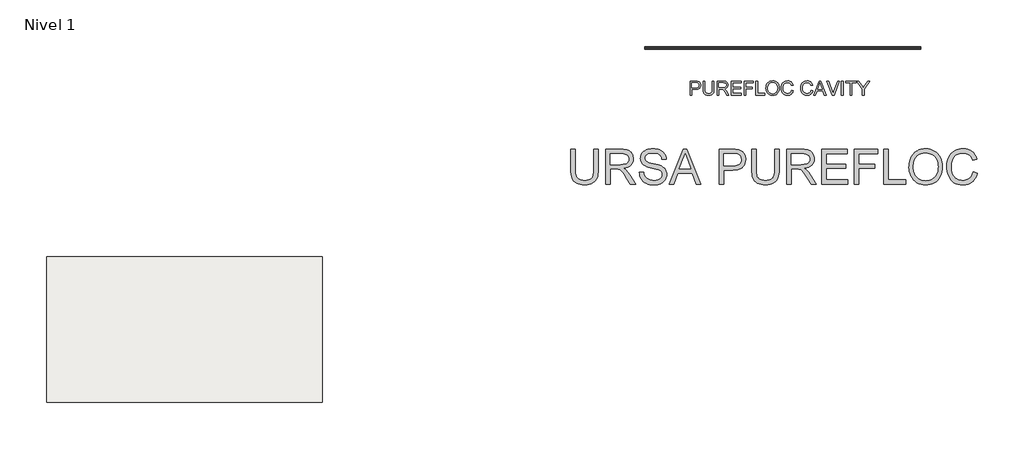
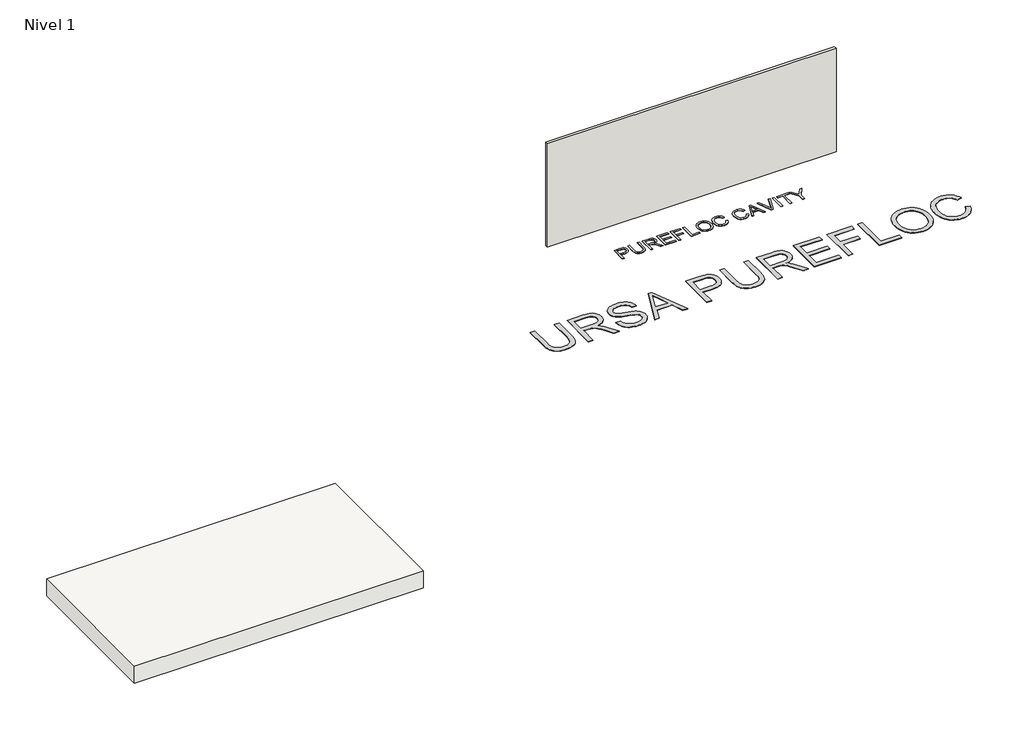
# One storey: 2 proxies, 1 slab, 1 wall.
"""IFC4 building model written with IfcOpenShell, lengths in millimetres."""

from ifc_helpers import new_model, si_unit, frame, origin, origin_with_axes, place, context, project, spatial, polyline, outline, extrude, element, save

model = new_model("IFC4")

# Units and contexts
model_context = context("Model", 3, world=origin())
ifc_project = project(units=[si_unit("LENGTHUNIT", "METRE", prefix="MILLI")], contexts=[model_context])

# Site, building, storey
site = spatial("IfcSite", under=ifc_project)
building = spatial("IfcBuilding", under=site)
storey = spatial("IfcBuildingStorey", under=building, Name="Nivel 1", Elevation=0.0)

# Proxies
placement = place(None, origin())
element("IfcBuildingElementProxy", 1, Name="Texto de modelo 1", ObjectType="Texto de modelo 1", at=placement, inside=storey, context=model_context, shape_type="SweptSolid", body=[
    extrude(outline(polyline([(-5234.9976902, 2608.420547), (-5234.9976902, 3010.2457876), (-5086.0790586, 3010.2457876), (-5026.0407169, 3006.4198149), (-4999.2711704, 2999.2706414), (-4977.2350389, 2987.6333076), (-4959.490864, 2970.980516), (-4945.5971873, 2948.7849689), (-4936.6208667, 2922.6040336), (-4933.6287598, 2893.9950771), (-4935.649045, 2869.3285894), (-4941.7099009, 2846.6364016), (-4951.8113274, 2825.9185139), (-4965.9533244, 2807.1749263), (-4985.3682967, 2791.6380433), (-5011.2886489, 2780.5402698), (-5043.7143811, 2773.8816057), (-5082.6454933, 2771.662051), (-5184.7695351, 2771.662051), (-5184.7695351, 2608.420547), (-5234.9976902, 2608.420547)]), holes=[polyline([(-5184.7695351, 2821.8902061), (-5079.7024373, 2821.8902061), (-5035.1641904, 2826.5009937), (-5018.5604497, 2832.2644783), (-5005.7336308, 2840.3333568), (-4996.1625676, 2850.4930312), (-4989.3260938, 2862.5289038), (-4983.8569148, 2892.2292436), (-4987.0820137, 2914.7926726), (-4996.7573101, 2933.8244345), (-5011.6810564, 2948.1473068), (-5030.6515046, 2956.5840672), (-5080.8796597, 2960.0176325), (-5184.7695351, 2960.0176325), (-5184.7695351, 2821.8902061)])]), origin_with_axes(), (0.0, 0.0, 1.0), 10.0),
    extrude(outline(polyline([(-4600.8672324, 3010.2457876), (-4550.6390773, 3010.2457876), (-4550.6390773, 2778.4310797), (-4554.0481171, 2724.14396), (-4564.2752366, 2682.3403026), (-4572.460611, 2665.387074), (-4583.3805749, 2650.0893143), (-4613.4242712, 2624.460202), (-4632.5663976, 2614.6960007), (-4654.4799018, 2607.7215712), (-4706.6210433, 2602.1420276), (-4757.6217505, 2606.99807), (-4798.3953383, 2621.566197), (-4814.9500281, 2632.3665992), (-4828.9540694, 2645.3436366), (-4840.4074622, 2660.4973091), (-4849.3102065, 2677.8276168), (-4860.7513365, 2721.3971077), (-4864.5650465, 2778.4310797), (-4864.5650465, 3010.2457876), (-4814.3368915, 3010.2457876), (-4814.3368915, 2780.1969133), (-4811.8598194, 2735.0577925), (-4804.4286031, 2703.6284074), (-4790.964122, 2681.862056), (-4770.3872558, 2665.7120364), (-4743.5563956, 2655.7056461), (-4711.3299328, 2652.3701827), (-4683.6468127, 2654.0195203), (-4660.2433864, 2658.9675331), (-4641.119654, 2667.2142212), (-4626.2756155, 2678.7595845), (-4615.1594479, 2694.9954432), (-4607.2193282, 2717.3136176), (-4602.4552563, 2745.7141076), (-4600.8672324, 2780.1969133), (-4600.8672324, 3010.2457876)])), origin_with_axes(), (0.0, 0.0, 1.0), 10.0),
    extrude(outline(polyline([(-4462.7398059, 2608.420547), (-4462.7398059, 3010.2457876), (-4289.5900135, 3010.2457876), (-4243.0529411, 3007.5357236), (-4209.1955349, 2999.4055315), (-4184.4493393, 2984.3959461), (-4165.2458992, 2961.0477021), (-4152.9218523, 2932.0953891), (-4148.8138367, 2900.2735965), (-4150.5152909, 2879.6354166), (-4155.6196536, 2860.6894938), (-4164.1269248, 2843.4358283), (-4176.0371044, 2827.8744199), (-4191.5034766, 2814.5019093), (-4210.6793256, 2803.8149374), (-4233.5646514, 2795.813504), (-4260.1594539, 2790.4976092), (-4231.6118111, 2769.0133006), (-4190.899537, 2717.3136176), (-4123.8959629, 2608.420547), (-4182.2665728, 2608.420547), (-4234.5548671, 2691.7090307), (-4272.3240852, 2746.8422791), (-4286.3649147, 2762.9187222), (-4298.8606398, 2772.8883243), (-4322.748444, 2782.4532562), (-4351.8846981, 2784.2190898), (-4412.5116509, 2784.2190898), (-4412.5116509, 2608.420547), (-4462.7398059, 2608.420547)]), holes=[polyline([(-4412.5116509, 2834.4472448), (-4300.0869131, 2834.4472448), (-4267.7991367, 2836.2253412), (-4242.7463728, 2841.5596301), (-4223.8862892, 2850.8057309), (-4210.1765535, 2864.3192629), (-4201.8256322, 2880.6654862), (-4199.0419918, 2898.4096611), (-4204.3517553, 2922.910602), (-4220.2810456, 2942.6536024), (-4232.4426113, 2950.2503656), (-4247.6882543, 2955.676625), (-4287.4317725, 2960.0176325), (-4412.5116509, 2960.0176325), (-4412.5116509, 2834.4472448)])]), origin_with_axes(), (0.0, 0.0, 1.0), 10.0),
    extrude(outline(polyline([(-4060.9145653, 2608.420547), (-4060.9145653, 3010.2457876), (-3772.1026737, 3010.2457876), (-3772.1026737, 2960.0176325), (-4010.6864103, 2960.0176325), (-4010.6864103, 2840.7257642), (-3784.6597124, 2840.7257642), (-3784.6597124, 2790.4976092), (-4010.6864103, 2790.4976092), (-4010.6864103, 2658.6487021), (-3765.8241543, 2658.6487021), (-3765.8241543, 2608.420547), (-4060.9145653, 2608.420547)])), origin_with_axes(), (0.0, 0.0, 1.0), 10.0),
    extrude(outline(polyline([(-3690.4819217, 2608.420547), (-3690.4819217, 3010.2457876), (-3420.5055881, 3010.2457876), (-3420.5055881, 2960.0176325), (-3640.2537666, 2960.0176325), (-3640.2537666, 2840.7257642), (-3451.8981851, 2840.7257642), (-3451.8981851, 2790.4976092), (-3640.2537666, 2790.4976092), (-3640.2537666, 2608.420547), (-3690.4819217, 2608.420547)])), origin_with_axes(), (0.0, 0.0, 1.0), 10.0),
    extrude(outline(polyline([(-3351.4418749, 2608.420547), (-3351.4418749, 3010.2457876), (-3301.2137198, 3010.2457876), (-3301.2137198, 2658.6487021), (-3100.3010995, 2658.6487021), (-3100.3010995, 2608.420547), (-3351.4418749, 2608.420547)])), origin_with_axes(), (0.0, 0.0, 1.0), 10.0),
    extrude(outline(polyline([(-3062.6299832, 2804.0356666), (-3059.2822571, 2851.1674815), (-3049.2390786, 2892.8914311), (-3032.5004478, 2929.2075154), (-3009.0663647, 2960.1157344), (-2980.3409123, 2984.7944849), (-2947.7281734, 3002.4221638), (-2911.2281481, 3012.9987712), (-2870.8408364, 3016.524307), (-2843.8076411, 3014.868838), (-2818.1356092, 3009.9024311), (-2793.8247407, 3001.6250862), (-2770.8750356, 2990.0368033), (-2749.9302873, 2975.4870704), (-2731.6342894, 2958.3253754), (-2715.9870419, 2938.5517181), (-2702.9885447, 2916.1660987), (-2692.773688, 2891.6774206), (-2685.4773618, 2865.5945871), (-2679.6403008, 2808.6464542), (-2681.1762081, 2778.9890341), (-2685.7839301, 2750.9380319), (-2693.4634667, 2724.4934479), (-2704.2148181, 2699.6552818), (-2717.7835323, 2677.07959), (-2733.9151578, 2657.4224288), (-2752.6096945, 2640.683798), (-2773.8671425, 2626.8636977), (-2796.8505701, 2616.047967), (-2820.7230459, 2608.3224451), (-2845.4845699, 2603.687132), (-2871.135142, 2602.1420276), (-2898.6404525, 2603.8496132), (-2924.6497096, 2608.97237), (-2949.1629132, 2617.510298), (-2972.1800633, 2629.4633971), (-2993.1002861, 2644.3687493), (-3011.3227076, 2661.7634363), (-3026.8473278, 2681.6474581), (-3039.6741467, 2704.0208148), (-3056.8910241, 2752.6425519), (-3062.6299832, 2804.0356666)]), holes=[polyline([(-3012.4018281, 2803.5451572), (-3009.8910335, 2770.2457053), (-3002.3586497, 2740.686387), (-2989.8046766, 2714.8672023), (-2972.2291143, 2692.7881512), (-2950.8643674, 2675.10529), (-2926.9428407, 2662.4746748), (-2900.4645341, 2654.8963057), (-2871.4294476, 2652.3701827), (-2841.8977204, 2654.9208312), (-2815.1067141, 2662.5727767), (-2791.0564287, 2675.3260192), (-2769.7468641, 2693.1805587), (-2752.3000605, 2715.7255936), (-2739.8380579, 2742.5503224), (-2732.3608564, 2773.6547451), (-2729.8684559, 2809.0388617), (-2734.135887, 2853.5035322), (-2746.9381804, 2891.934938), (-2767.9442424, 2923.3643231), (-2796.822979, 2946.8229316), (-2831.6614039, 2961.4278468), (-2870.5465308, 2966.2961519), (-2898.5730075, 2963.9509042), (-2924.5761332, 2956.915161), (-2948.5559079, 2945.1889224), (-2970.5123316, 2928.7721884), (-2988.8389864, 2906.8740126), (-3001.929454, 2878.7034489), (-3009.7837346, 2844.2604971), (-3012.4018281, 2803.5451572)])]), origin_with_axes(), (0.0, 0.0, 1.0), 10.0),
    extrude(outline(polyline([(-2328.0432153, 2751.256863), (-2277.8150602, 2738.3074168), (-2287.7540054, 2707.0711697), (-2300.9916259, 2679.7773913), (-2317.5279216, 2656.4260817), (-2337.3628925, 2637.0172408), (-2360.0489488, 2621.759335), (-2385.1385009, 2610.8608309), (-2412.6315487, 2604.3217284), (-2442.5280922, 2602.1420276), (-2473.1573339, 2603.7913652), (-2500.7883375, 2608.7393781), (-2525.4211027, 2616.9860661), (-2547.0556297, 2628.5314294), (-2565.9892897, 2643.2037897), (-2582.519454, 2660.8314686), (-2596.6461227, 2681.4144662), (-2608.3692956, 2704.9527825), (-2624.1514332, 2756.8241439), (-2629.4121457, 2812.3743251), (-2623.4647201, 2870.9656642), (-2616.0304381, 2897.2630955), (-2605.6224433, 2921.5617013), (-2592.4737277, 2943.4598771), (-2576.8172831, 2962.5560183), (-2558.6531096, 2978.850125), (-2537.9812072, 2992.3421972), (-2515.5036173, 3002.9218702), (-2491.9223814, 3010.4787795), (-2441.4489716, 3016.524307), (-2412.7204535, 3014.568401), (-2386.377037, 3008.7006832), (-2362.418722, 2998.9211535), (-2340.8455087, 2985.2298119), (-2322.0130162, 2967.9884091), (-2306.2768639, 2947.5586956), (-2293.6370517, 2923.9406715), (-2284.0935796, 2897.1343368), (-2334.3217346, 2885.1659092), (-2351.7348157, 2921.7946932), (-2375.5245181, 2946.9210335), (-2405.9851473, 2961.4523723), (-2443.4110089, 2966.2961519), (-2486.5513042, 2960.9250748), (-2505.2335782, 2954.2112284), (-2521.9906031, 2944.8118434), (-2548.882777, 2919.6487149), (-2566.3816972, 2887.1279466), (-2575.9834173, 2850.3642725), (-2579.1839906, 2812.472427), (-2575.3948061, 2766.0702447), (-2564.0272524, 2725.9465817), (-2544.652134, 2693.6342798), (-2516.8402552, 2670.6661806), (-2483.4978837, 2656.9441822), (-2447.5312873, 2652.3701827), (-2425.6944252, 2653.9275498), (-2405.6050026, 2658.5996512), (-2387.2630194, 2666.3864867), (-2370.6684758, 2677.2880565), (-2356.213779, 2691.2553096), (-2344.2913367, 2708.239195), (-2334.9011488, 2728.2397128), (-2328.0432153, 2751.256863)])), origin_with_axes(), (0.0, 0.0, 1.0), 10.0),
    extrude(outline(polyline([(-1769.25499, 2751.256863), (-1719.026835, 2738.3074168), (-1728.9657802, 2707.0711697), (-1742.2034007, 2679.7773913), (-1758.7396963, 2656.4260817), (-1778.5746673, 2637.0172408), (-1801.2607236, 2621.759335), (-1826.3502757, 2610.8608309), (-1853.8433235, 2604.3217284), (-1883.7398669, 2602.1420276), (-1914.3691087, 2603.7913652), (-1942.0001122, 2608.7393781), (-1966.6328775, 2616.9860661), (-1988.2674045, 2628.5314294), (-2007.2010645, 2643.2037897), (-2023.7312288, 2660.8314686), (-2037.8578975, 2681.4144662), (-2049.5810704, 2704.9527825), (-2065.363208, 2756.8241439), (-2070.6239205, 2812.3743251), (-2064.6764949, 2870.9656642), (-2057.2422129, 2897.2630955), (-2046.8342181, 2921.5617013), (-2033.6855025, 2943.4598771), (-2018.0290579, 2962.5560183), (-1999.8648844, 2978.850125), (-1979.192982, 2992.3421972), (-1956.7153921, 3002.9218702), (-1933.1341562, 3010.4787795), (-1882.6607464, 3016.524307), (-1853.9322283, 3014.568401), (-1827.5888117, 3008.7006832), (-1803.6304968, 2998.9211535), (-1782.0572835, 2985.2298119), (-1763.224791, 2967.9884091), (-1747.4886387, 2947.5586956), (-1734.8488264, 2923.9406715), (-1725.3053544, 2897.1343368), (-1775.5335094, 2885.1659092), (-1792.9465905, 2921.7946932), (-1816.7362929, 2946.9210335), (-1847.1969221, 2961.4523723), (-1884.6227837, 2966.2961519), (-1927.763079, 2960.9250748), (-1946.445353, 2954.2112284), (-1963.2023779, 2944.8118434), (-1990.0945517, 2919.6487149), (-2007.593472, 2887.1279466), (-2017.1951921, 2850.3642725), (-2020.3957654, 2812.472427), (-2016.6065809, 2766.0702447), (-2005.2390272, 2725.9465817), (-1985.8639088, 2693.6342798), (-1958.05203, 2670.6661806), (-1924.7096585, 2656.9441822), (-1888.7430621, 2652.3701827), (-1866.9062, 2653.9275498), (-1846.8167774, 2658.5996512), (-1828.4747942, 2666.3864867), (-1811.8802506, 2677.2880565), (-1797.4255538, 2691.2553096), (-1785.5031115, 2708.239195), (-1776.1129236, 2728.2397128), (-1769.25499, 2751.256863)])), origin_with_axes(), (0.0, 0.0, 1.0), 10.0),
    extrude(outline(polyline([(-1696.6596097, 2608.420547), (-1536.2630598, 3010.2457876), (-1493.4906465, 3010.2457876), (-1333.1921984, 2608.420547), (-1386.2653076, 2608.420547), (-1432.1769806, 2733.9909347), (-1597.7729294, 2733.9909347), (-1643.6846024, 2608.420547), (-1696.6596097, 2608.420547)]), holes=[polyline([(-1579.3297787, 2784.2190898), (-1450.5220294, 2784.2190898), (-1486.8197196, 2883.0076682), (-1514.974955, 2960.0176325), (-1539.9909307, 2891.6406324), (-1579.3297787, 2784.2190898)])]), origin_with_axes(), (0.0, 0.0, 1.0), 10.0),
    extrude(outline(polyline([(-1160.9253228, 2608.420547), (-1320.7332615, 3010.2457876), (-1266.9734393, 3010.2457876), (-1159.9443042, 2720.7471829), (-1138.2637919, 2655.5094424), (-1116.8775853, 2720.7471829), (-1009.5541445, 3010.2457876), (-955.8924242, 3010.2457876), (-1109.1275379, 2608.420547), (-1160.9253228, 2608.420547)])), origin_with_axes(), (0.0, 0.0, 1.0), 10.0),
    extrude(outline(polyline([(-902.819315, 2608.420547), (-902.819315, 3010.2457876), (-852.5911599, 3010.2457876), (-852.5911599, 2608.420547), (-902.819315, 2608.420547)])), origin_with_axes(), (0.0, 0.0, 1.0), 10.0),
    extrude(outline(polyline([(-651.6785396, 2608.420547), (-651.6785396, 2960.0176325), (-783.5274467, 2960.0176325), (-783.5274467, 3010.2457876), (-469.6014775, 3010.2457876), (-469.6014775, 2960.0176325), (-601.4503846, 2960.0176325), (-601.4503846, 2608.420547), (-651.6785396, 2608.420547)])), origin_with_axes(), (0.0, 0.0, 1.0), 10.0),
    extrude(outline(polyline([(-300.0814541, 2608.420547), (-300.0814541, 2778.6272834), (-457.0444387, 3010.2457876), (-397.8890139, 3010.2457876), (-314.1100209, 2886.5393354), (-271.2395057, 2823.3617341), (-228.1727868, 2891.0520212), (-152.1438411, 3010.2457876), (-92.8903144, 3010.2457876), (-249.853299, 2778.6272834), (-249.853299, 2608.420547), (-300.0814541, 2608.420547)])), origin_with_axes(), (0.0, 0.0, 1.0), 10.0),
])
element("IfcBuildingElementProxy", 2, Name="Texto de modelo 2", ObjectType="Texto de modelo 2", at=placement, inside=storey, context=model_context, shape_type="SweptSolid", body=[
    extrude(outline(polyline([(-7991.504883, 1058.1612692), (-7865.9344953, 1058.1612692), (-7865.9344953, 478.6244994), (-7868.0651452, 406.8645177), (-7874.4570949, 342.9067), (-7885.1103443, 286.7510463), (-7900.0248936, 238.3975566), (-7920.4883295, 196.014485), (-7947.7882393, 157.770086), (-7981.9246227, 123.6643593), (-8022.8974799, 93.6973051), (-8070.7527961, 69.2868019), (-8125.5365566, 51.8507282), (-8187.2487613, 41.3890839), (-8255.8894102, 37.9018692), (-8322.8362691, 40.9368957), (-8383.3911784, 50.041975), (-8437.554138, 65.2171073), (-8485.3251479, 86.4622926), (-8526.7118723, 113.4632982), (-8561.7219755, 145.9058916), (-8590.3554575, 183.7900729), (-8612.6123182, 227.1158421), (-8629.2972995, 277.3700554), (-8641.2151433, 336.0395695), (-8648.3658496, 403.1243841), (-8650.7494184, 478.6244994), (-8650.7494184, 1058.1612692), (-8525.1790307, 1058.1612692), (-8525.1790307, 483.0390834), (-8523.6308606, 422.33089), (-8518.9863504, 370.1912813), (-8511.2455001, 326.6202575), (-8500.4083097, 291.6178185), (-8485.8003288, 262.6547756), (-8466.7471071, 237.2019401), (-8443.2486447, 215.2593119), (-8415.3049415, 196.8268911), (-8383.452492, 182.2342386), (-8348.227791, 171.8109154), (-8309.6308383, 165.5569215), (-8267.6616341, 163.4722569), (-8198.4538337, 167.5956009), (-8139.9452681, 179.965633), (-8092.1359371, 200.5823532), (-8072.2434846, 213.9832212), (-8055.0258409, 229.4457614), (-8040.1381164, 247.8398611), (-8027.2354218, 270.0354082), (-8007.3851225, 325.8308441), (-7995.4749429, 396.8320692), (-7991.504883, 483.0390834), (-7991.504883, 1058.1612692)])), origin_with_axes(), (0.0, 0.0, 1.0), 10.0),
    extrude(outline(polyline([(-7646.1863169, 53.5981677), (-7646.1863169, 1058.1612692), (-7213.3118359, 1058.1612692), (-7151.1780997, 1056.4674791), (-7096.9691549, 1051.3861091), (-7050.6850014, 1042.917159), (-7012.3256392, 1031.0606288), (-6979.6607837, 1014.9044779), (-6950.4601503, 993.5366653), (-6924.7237391, 966.9571912), (-6902.45155, 935.1660554), (-6884.4789817, 899.8723765), (-6871.6414329, 862.7852729), (-6863.9389036, 823.9047445), (-6861.3713938, 783.2307914), (-6865.6250294, 731.6353416), (-6878.3859361, 684.2705347), (-6899.654114, 641.1363708), (-6929.4295629, 602.2328498), (-6968.0954935, 568.8015735), (-7016.035116, 542.0841436), (-7073.2484304, 522.0805601), (-7139.7354369, 508.790823), (-7098.3487124, 481.7514964), (-7068.3663298, 455.0800517), (-7016.9241641, 394.0729542), (-6966.5856445, 325.8308441), (-6799.0767093, 53.5981677), (-6945.0032341, 53.5981677), (-7075.7239697, 261.8193769), (-7128.0245267, 341.2818879), (-7170.1470151, 399.6524978), (-7205.2490888, 439.8436058), (-7236.4884016, 464.7676109), (-7266.0722454, 479.3909202), (-7296.2079121, 488.6799406), (-7369.0485472, 493.0945246), (-7520.6159292, 493.0945246), (-7520.6159292, 53.5981677), (-7646.1863169, 53.5981677)]), holes=[polyline([(-7520.6159292, 618.6649123), (-7239.5540849, 618.6649123), (-7158.8346438, 623.110153), (-7096.2027341, 636.4458754), (-7071.0181458, 646.6699291), (-7049.052525, 659.5611274), (-7030.3058717, 675.1194701), (-7014.7781858, 693.3449573), (-7002.5997589, 713.3408766), (-6993.9008826, 734.2105156), (-6988.6815568, 755.9538743), (-6986.9417815, 778.5709528), (-6990.2603837, 810.6839853), (-7000.2161902, 839.823305), (-7016.809201, 865.9889119), (-7040.0394162, 889.180806), (-7070.4433302, 908.172714), (-7108.5574378, 921.7383626), (-7154.3817388, 929.8777518), (-7207.9162333, 932.5908815), (-7520.6159292, 932.5908815), (-7520.6159292, 618.6649123)])]), origin_with_axes(), (0.0, 0.0, 1.0), 10.0),
    extrude(outline(polyline([(-6688.7121108, 398.9167338), (-6563.1417231, 398.9167338), (-6557.3935669, 362.3661247), (-6548.7330116, 329.2337525), (-6537.1600572, 299.5196172), (-6522.6747036, 273.2237188), (-6504.5411869, 249.8172268), (-6482.0237431, 228.771311), (-6455.1223722, 210.0859714), (-6423.8370742, 193.7612078), (-6389.3174804, 180.5097918), (-6352.7132218, 171.0444946), (-6314.0242987, 165.3653163), (-6273.2507109, 163.4722569), (-6203.2918181, 169.2050846), (-6171.5773245, 176.3711193), (-6142.0394659, 186.4035679), (-6115.4063423, 198.9422126), (-6092.4060534, 213.6268356), (-6073.0385992, 230.4574368), (-6057.3039797, 249.4340164), (-6045.1255528, 269.736504), (-6036.4266765, 290.5448294), (-6031.2073507, 311.8589925), (-6029.4675754, 333.6789933), (-6034.679237, 375.7095113), (-6050.3142218, 412.0378583), (-6063.4660031, 428.1556882), (-6082.0747007, 443.0319164), (-6106.1403146, 456.6665428), (-6135.6628447, 469.0595675), (-6201.9735743, 488.7719111), (-6318.5001963, 517.0068543), (-6438.5216972, 548.7366763), (-6482.3226473, 564.0267718), (-6515.3170637, 578.9336568), (-6548.8479747, 598.9372403), (-6577.8263461, 621.1787726), (-6602.2521777, 645.6582537), (-6622.1254696, 672.3756836), (-6637.522864, 701.0551508), (-6648.5210028, 731.4207438), (-6655.1198861, 763.4724626), (-6657.3195138, 797.2103072), (-6654.5987199, 834.6039792), (-6646.4363382, 870.7560494), (-6632.8323685, 905.666518), (-6613.7868111, 939.3353847), (-6589.5142636, 970.3907565), (-6560.229324, 997.46074), (-6525.9319921, 1020.5453352), (-6486.6222681, 1039.6445421), (-6443.6260599, 1054.6127407), (-6398.2692756, 1065.3043112), (-6350.5519151, 1071.7192535), (-6300.4739785, 1073.8575676), (-6245.8435022, 1071.6196188), (-6194.5239639, 1064.9057724), (-6146.5153635, 1053.7160284), (-6101.8177011, 1038.0503868), (-6061.2587112, 1018.0468033), (-6025.6661281, 993.8432337), (-5995.039952, 965.439678), (-5969.3801829, 932.8361361), (-5948.8860901, 896.98297), (-5933.756943, 858.8305414), (-5923.9927417, 818.3788504), (-5919.5934862, 775.6278969), (-6045.1638739, 775.6278969), (-6053.5638461, 815.6963775), (-6068.2178122, 850.5531965), (-6089.1257723, 880.198354), (-6116.2877263, 904.6318498), (-6150.2095119, 923.7310568), (-6191.396967, 937.3733474), (-6239.8500914, 945.5587218), (-6295.5688853, 948.2871799), (-6353.0657754, 945.5893786), (-6402.1933502, 937.4959747), (-6442.9516096, 924.0069683), (-6475.3405536, 905.1223592), (-6500.0193041, 882.4209744), (-6517.646983, 857.4816408), (-6528.2235904, 830.3043584), (-6531.7491262, 800.8891272), (-6529.2505943, 775.5819116), (-6521.7549986, 752.6352722), (-6509.2623392, 732.0492089), (-6491.772616, 713.8237217), (-6464.24278, 696.5639247), (-6420.8940183, 679.1201868), (-6361.7263307, 661.4925079), (-6286.7397174, 643.6808879), (-6148.2934599, 610.0196854), (-6099.5797523, 594.7985678), (-6064.5389923, 580.6504394), (-6026.0416743, 559.2059848), (-5992.9552874, 535.0943857), (-5965.2798315, 508.3156421), (-5943.0153065, 478.8697541), (-5925.9011296, 446.9100058), (-5913.6767174, 412.5896813), (-5906.3420701, 375.9087807), (-5903.8971877, 336.8673039), (-5906.7099521, 297.5882368), (-5915.1482454, 259.4588008), (-5929.2120675, 222.4789961), (-5948.9014185, 186.6488226), (-5973.8714089, 153.355502), (-6003.7771494, 123.9862561), (-6038.61864, 98.5410847), (-6078.3958808, 77.019988), (-6121.9515762, 59.905811), (-6168.1284308, 47.6813989), (-6216.9264446, 40.3467516), (-6268.3456176, 37.9018692), (-6332.5793468, 40.5383568), (-6391.3714882, 48.4478197), (-6444.7220417, 61.6302579), (-6492.6310073, 80.0856713), (-6535.3896251, 103.8447168), (-6573.2891348, 132.9380513), (-6606.3295365, 167.3656747), (-6634.5108301, 207.127587), (-6657.2122149, 250.9362012), (-6673.81289, 297.5039305), (-6684.3128552, 346.8307747), (-6688.7121108, 398.9167338)])), origin_with_axes(), (0.0, 0.0, 1.0), 10.0),
    extrude(outline(polyline([(-5832.282826, 53.5981677), (-5431.2914513, 1058.1612692), (-5324.360418, 1058.1612692), (-4923.6142979, 53.5981677), (-5056.2970708, 53.5981677), (-5171.0762533, 367.5241369), (-5585.0661252, 367.5241369), (-5699.8453077, 53.5981677), (-5832.282826, 53.5981677)]), holes=[polyline([(-5538.9582485, 493.0945246), (-5216.9388754, 493.0945246), (-5307.6831009, 740.0659707), (-5378.0711893, 932.5908815), (-5440.6111285, 761.648381), (-5538.9582485, 493.0945246)])]), origin_with_axes(), (0.0, 0.0, 1.0), 10.0),
    extrude(outline(polyline([(-4397.0525355, 53.5981677), (-4397.0525355, 1058.1612692), (-4024.7559564, 1058.1612692), (-3938.0584328, 1055.7700362), (-3874.6601023, 1048.5963373), (-3839.718977, 1041.0624206), (-3807.736236, 1030.7234037), (-3778.7118795, 1017.5792866), (-3752.6459073, 1001.6300692), (-3729.2624079, 982.5461907), (-3708.28547, 959.9980901), (-3689.7150935, 933.9857674), (-3673.5512783, 904.5092225), (-3660.4608106, 872.54181), (-3651.1104766, 839.0568842), (-3645.5002762, 804.0544452), (-3643.6302094, 767.534493), (-3648.6809226, 705.8682735), (-3663.8330623, 649.1378042), (-3689.0866284, 597.343085), (-3724.441621, 550.4841158), (-3746.6774051, 529.6757905), (-3772.9790517, 511.6419085), (-3803.3465608, 496.3824699), (-3837.7799323, 483.8974747), (-3876.2791663, 474.1869229), (-3918.8442628, 467.2508144), (-4016.1720431, 461.7019276), (-4271.4821478, 461.7019276), (-4271.4821478, 53.5981677), (-4397.0525355, 53.5981677)]), holes=[polyline([(-4271.4821478, 587.2723153), (-4008.8144032, 587.2723153), (-3948.4204424, 590.1540576), (-3897.468786, 598.7992845), (-3855.9594342, 613.207996), (-3823.892387, 633.3801921), (-3799.9647289, 658.7793781), (-3782.8735445, 688.8690597), (-3772.6188339, 723.6492366), (-3769.200597, 763.119909), (-3771.2162838, 792.4278413), (-3777.2633441, 819.5284816), (-3787.3417779, 844.42183), (-3801.4515853, 867.1078863), (-3818.8416738, 886.8508867), (-3838.760951, 902.9150672), (-3861.2094169, 915.3004277), (-3886.1870715, 924.0069683), (-3934.6248675, 930.4449032), (-4011.7574592, 932.5908815), (-4271.4821478, 932.5908815), (-4271.4821478, 587.2723153)])]), origin_with_axes(), (0.0, 0.0, 1.0), 10.0),
    extrude(outline(polyline([(-2811.7263909, 1058.1612692), (-2686.1560032, 1058.1612692), (-2686.1560032, 478.6244994), (-2688.2866531, 406.8645177), (-2694.6786028, 342.9067), (-2705.3318522, 286.7510463), (-2720.2464015, 238.3975566), (-2740.7098374, 196.014485), (-2768.0097472, 157.770086), (-2802.1461306, 123.6643593), (-2843.1189879, 93.6973051), (-2890.9743041, 69.2868019), (-2945.7580645, 51.8507282), (-3007.4702692, 41.3890839), (-3076.1109181, 37.9018692), (-3143.057777, 40.9368957), (-3203.6126863, 50.041975), (-3257.7756459, 65.2171073), (-3305.5466558, 86.4622926), (-3346.9333802, 113.4632982), (-3381.9434835, 145.9058916), (-3410.5769654, 183.7900729), (-3432.8338261, 227.1158421), (-3449.5188074, 277.3700554), (-3461.4366512, 336.0395695), (-3468.5873575, 403.1243841), (-3470.9709263, 478.6244994), (-3470.9709263, 1058.1612692), (-3345.4005386, 1058.1612692), (-3345.4005386, 483.0390834), (-3343.8523685, 422.33089), (-3339.2078583, 370.1912813), (-3331.467008, 326.6202575), (-3320.6298176, 291.6178185), (-3306.0218367, 262.6547756), (-3286.968615, 237.2019401), (-3263.4701526, 215.2593119), (-3235.5264494, 196.8268911), (-3203.674, 182.2342386), (-3168.4492989, 171.8109154), (-3129.8523463, 165.5569215), (-3087.883142, 163.4722569), (-3018.6753416, 167.5956009), (-2960.166776, 179.965633), (-2912.357445, 200.5823532), (-2892.4649926, 213.9832212), (-2875.2473488, 229.4457614), (-2860.3596243, 247.8398611), (-2847.4569297, 270.0354082), (-2827.6066304, 325.8308441), (-2815.6964508, 396.8320692), (-2811.7263909, 483.0390834), (-2811.7263909, 1058.1612692)])), origin_with_axes(), (0.0, 0.0, 1.0), 10.0),
    extrude(outline(polyline([(-2466.4078248, 53.5981677), (-2466.4078248, 1058.1612692), (-2033.5333438, 1058.1612692), (-1971.3996077, 1056.4674791), (-1917.1906628, 1051.3861091), (-1870.9065093, 1042.917159), (-1832.5471471, 1031.0606288), (-1799.8822916, 1014.9044779), (-1770.6816582, 993.5366653), (-1744.945247, 966.9571912), (-1722.6730579, 935.1660554), (-1704.7004896, 899.8723765), (-1691.8629408, 862.7852729), (-1684.1604115, 823.9047445), (-1681.5929017, 783.2307914), (-1685.8465373, 731.6353416), (-1698.607444, 684.2705347), (-1719.8756219, 641.1363708), (-1749.6510709, 602.2328498), (-1788.3170014, 568.8015735), (-1836.2566239, 542.0841436), (-1893.4699383, 522.0805601), (-1959.9569448, 508.790823), (-1918.5702203, 481.7514964), (-1888.5878377, 455.0800517), (-1837.145672, 394.0729542), (-1786.8071524, 325.8308441), (-1619.2982172, 53.5981677), (-1765.224742, 53.5981677), (-1895.9454776, 261.8193769), (-1948.2460346, 341.2818879), (-1990.368523, 399.6524978), (-2025.4705967, 439.8436058), (-2056.7099095, 464.7676109), (-2086.2937533, 479.3909202), (-2116.42942, 488.6799406), (-2189.2700551, 493.0945246), (-2340.8374371, 493.0945246), (-2340.8374371, 53.5981677), (-2466.4078248, 53.5981677)]), holes=[polyline([(-2340.8374371, 618.6649123), (-2059.7755928, 618.6649123), (-1979.0561517, 623.110153), (-1916.424242, 636.4458754), (-1891.2396537, 646.6699291), (-1869.274033, 659.5611274), (-1850.5273796, 675.1194701), (-1834.9996937, 693.3449573), (-1822.8212669, 713.3408766), (-1814.1223905, 734.2105156), (-1808.9030647, 755.9538743), (-1807.1632894, 778.5709528), (-1810.4818916, 810.6839853), (-1820.4376981, 839.823305), (-1837.0307089, 865.9889119), (-1860.2609241, 889.180806), (-1890.6648381, 908.172714), (-1928.7789457, 921.7383626), (-1974.6032467, 929.8777518), (-2028.1377412, 932.5908815), (-2340.8374371, 932.5908815), (-2340.8374371, 618.6649123)])]), origin_with_axes(), (0.0, 0.0, 1.0), 10.0),
    extrude(outline(polyline([(-1461.8447233, 53.5981677), (-1461.8447233, 1058.1612692), (-739.8149941, 1058.1612692), (-739.8149941, 932.5908815), (-1336.2743356, 932.5908815), (-1336.2743356, 634.3612107), (-771.207591, 634.3612107), (-771.207591, 508.790823), (-1336.2743356, 508.790823), (-1336.2743356, 179.1685554), (-724.1186956, 179.1685554), (-724.1186956, 53.5981677), (-1461.8447233, 53.5981677)])), origin_with_axes(), (0.0, 0.0, 1.0), 10.0),
    extrude(outline(polyline([(-535.7631141, 53.5981677), (-535.7631141, 1058.1612692), (139.1777197, 1058.1612692), (139.1777197, 932.5908815), (-410.1927264, 932.5908815), (-410.1927264, 634.3612107), (60.6962274, 634.3612107), (60.6962274, 508.790823), (-410.1927264, 508.790823), (-410.1927264, 53.5981677), (-535.7631141, 53.5981677)])), origin_with_axes(), (0.0, 0.0, 1.0), 10.0),
    extrude(outline(polyline([(311.8370028, 53.5981677), (311.8370028, 1058.1612692), (437.4073905, 1058.1612692), (437.4073905, 179.1685554), (939.6889412, 179.1685554), (939.6889412, 53.5981677), (311.8370028, 53.5981677)])), origin_with_axes(), (0.0, 0.0, 1.0), 10.0),
    extrude(outline(polyline([(1033.866732, 542.6359666), (1035.9590608, 603.2406932), (1042.2360474, 660.465504), (1052.6976916, 714.3103989), (1067.3439935, 764.775378), (1086.1749532, 811.8604413), (1109.1905705, 855.5655887), (1136.3908455, 895.8908203), (1167.7757782, 932.8361361), (1202.4678168, 965.8880341), (1239.5894094, 994.5330124), (1279.140556, 1018.7710709), (1321.1212566, 1038.6022097), (1365.5315112, 1054.0264288), (1412.3713198, 1065.0437282), (1461.6406824, 1071.6541078), (1513.339599, 1073.8575676), (1580.9225872, 1069.7188952), (1645.102667, 1057.3028778), (1705.8798383, 1036.6095156), (1763.2541011, 1007.6388085), (1815.6159717, 971.2644762), (1861.3559665, 928.3602385), (1900.4740853, 878.9260954), (1932.9703282, 822.9620469), (1958.50747, 761.7403515), (1976.7482856, 696.5332679), (1987.692775, 627.340796), (1991.3409381, 554.1629358), (1987.5011698, 480.0193853), (1975.9818648, 409.89188), (1956.7830232, 343.7804198), (1929.9046449, 281.6850047), (1895.9828593, 225.2457752), (1855.6537955, 176.1028721), (1808.9174537, 134.2562951), (1755.7738339, 99.7060444), (1698.3152647, 72.6667177), (1638.6340752, 53.352913), (1576.7302653, 41.7646302), (1512.603835, 37.9018692), (1443.8405588, 42.1708332), (1378.8174161, 54.9777251), (1317.5344071, 76.3225451), (1259.9915317, 106.205293), (1207.6909747, 143.4686734), (1162.134921, 186.9553909), (1123.3233705, 236.6654455), (1091.2563232, 292.5988372), (1066.1483771, 352.509953), (1048.2141298, 414.1531798), (1037.4535814, 477.5285176), (1033.866732, 542.6359666)]), holes=[polyline([(1159.4371197, 541.4096933), (1161.0063663, 498.6165866), (1165.7141062, 458.1610634), (1173.5603394, 420.0431238), (1184.5450658, 384.2627677), (1198.6682856, 350.819995), (1215.9299986, 319.7148059), (1236.3302048, 290.9472003), (1259.8689044, 264.5171782), (1285.7758442, 240.8347748), (1313.2807715, 220.3100251), (1342.3836862, 202.9429293), (1373.0845884, 188.7334872), (1405.3834779, 177.681699), (1439.2803549, 169.7875645), (1474.7752193, 165.0510838), (1511.8680711, 163.4722569), (1549.6392053, 165.0664122), (1585.697389, 169.8488781), (1620.0426221, 177.8196547), (1652.6749047, 188.9787419), (1683.5942368, 203.3261397), (1712.8006183, 220.8618481), (1740.2940493, 241.5858672), (1766.0745297, 265.4981969), (1789.4407846, 292.3420862), (1809.6915388, 321.8607842), (1826.8267923, 354.0542909), (1840.8465452, 388.9226063), (1851.7507975, 426.4657303), (1859.5395491, 466.683663), (1864.2128001, 509.5764044), (1865.7705504, 555.1439544), (1863.1034059, 612.6101878), (1855.1019726, 666.3056306), (1841.7662502, 716.2302831), (1823.096239, 762.384145), (1799.2988724, 804.1617441), (1770.5810842, 840.9576078), (1736.9428742, 872.7717362), (1698.3842426, 899.6041292), (1656.1008058, 920.9029639), (1611.2881802, 936.1164173), (1563.946366, 945.2444893), (1514.075363, 948.2871799), (1444.0091714, 942.4240606), (1379.0013571, 924.8347027), (1348.3943415, 911.6426843), (1319.0519203, 895.5191063), (1264.160861, 854.4772712), (1239.6162341, 829.0646727), (1218.3442241, 799.7318318), (1200.3448311, 766.4787483), (1185.618055, 729.3054223), (1174.1638958, 688.2118538), (1165.9823535, 643.1980428), (1161.0734281, 594.2639893), (1159.4371197, 541.4096933)])]), origin_with_axes(), (0.0, 0.0, 1.0), 10.0),
    extrude(outline(polyline([(2870.3336519, 410.6889576), (2995.9040396, 378.3153421), (2971.0566765, 300.2247244), (2937.9626254, 231.9902785), (2896.6218861, 173.6120044), (2872.8590085, 148.1189317), (2847.0344589, 125.0899021), (2790.319318, 86.9451377), (2727.5954378, 59.6988774), (2658.8628183, 43.3511213), (2584.1214597, 37.9018692), (2507.5483552, 42.0252132), (2438.4708464, 54.3952453), (2376.8889333, 75.0119655), (2322.8026158, 103.8753737), (2275.4684657, 140.5562743), (2234.1430549, 184.6254716), (2198.8263834, 236.0829657), (2169.5184511, 294.9287565), (2146.5028338, 358.6183269), (2130.0631071, 424.6071598), (2120.1992711, 492.8952552), (2116.9113258, 563.482613), (2120.6284668, 639.2203187), (2131.7798898, 709.9609607), (2150.3655947, 775.7045389), (2176.3855817, 836.4510534), (2209.2573708, 891.1964928), (2248.3984822, 938.9368459), (2293.808916, 979.6721126), (2345.4886721, 1013.4022931), (2401.6826469, 1039.8514757), (2460.6357366, 1058.743749), (2522.3479413, 1070.079113), (2586.819261, 1073.8575676), (2658.6405563, 1068.9678028), (2724.4990977, 1054.2985082), (2784.394885, 1029.8496839), (2838.3279183, 995.62133), (2885.4091495, 952.5178229), (2924.7495304, 901.4435392), (2956.3490609, 842.398479), (2980.2077411, 775.3826422), (2854.6373534, 745.4615733), (2834.8636962, 794.8420669), (2811.1046507, 837.0335332), (2783.3602169, 872.0359722), (2751.6303948, 899.8493839), (2715.7312434, 921.0409197), (2675.4788218, 936.1777309), (2630.8731299, 945.2598177), (2581.9141677, 948.2871799), (2525.5822372, 944.9302567), (2474.0634294, 934.8594871), (2427.3577445, 918.0748711), (2385.4651823, 894.5764086), (2348.9145732, 865.4217605), (2318.2347476, 831.6685875), (2293.4257056, 793.3168895), (2274.4874471, 750.3666665), (2260.4849386, 704.7646275), (2250.4831469, 658.4574814), (2244.4820718, 611.4452281), (2242.4817135, 563.7278676), (2244.8499538, 503.7631024), (2251.9546748, 447.7224118), (2263.7958766, 395.6057958), (2280.373559, 347.4132545), (2301.9559694, 304.1028138), (2328.811355, 266.6324997), (2360.9397159, 235.0023123), (2398.3410521, 209.2122516), (2439.1989462, 189.2010039), (2481.6969808, 174.9072556), (2525.835156, 166.3310066), (2571.6134718, 163.4722569), (2626.2056271, 167.3656747), (2676.4291836, 179.045928), (2722.2841415, 198.5130169), (2763.7705006, 225.7669414), (2799.9072425, 260.6850741), (2829.7133483, 303.1447877), (2853.1888181, 353.1460822), (2870.3336519, 410.6889576)])), origin_with_axes(), (0.0, 0.0, 1.0), 10.0),
])

# Slab
element("IfcSlab", 3, at=placement, inside=storey, context=model_context, shape_type="SweptSolid", body=[
    extrude(outline(polyline([(-15769.5892022, -2020.2851318), (-15769.5892022, -6187.1000163), (-23669.5892022, -6187.1000163), (-23669.5892022, -2020.2851318), (-15769.5892022, -2020.2851318)])), frame((0.0, 0.0, -490.0), z_axis=(0.0, 0.0, 1.0), x_axis=(1.0, 0.0, 0.0)), (0.0, 0.0, 1.0), 490.0),
])

# Wall
element("IfcWall", 4, at=placement, inside=storey, context=model_context, shape_type="SweptSolid", body=[
    extrude(outline(polyline([(1368.7582768, 3920.3831431), (-6531.2417232, 3920.3831431), (-6531.2417232, 4000.3831431), (1368.7582768, 4000.3831431), (1368.7582768, 3920.3831431)])), origin_with_axes(), (0.0, 0.0, 1.0), 3000.0),
])

save(model, "model.ifc")
